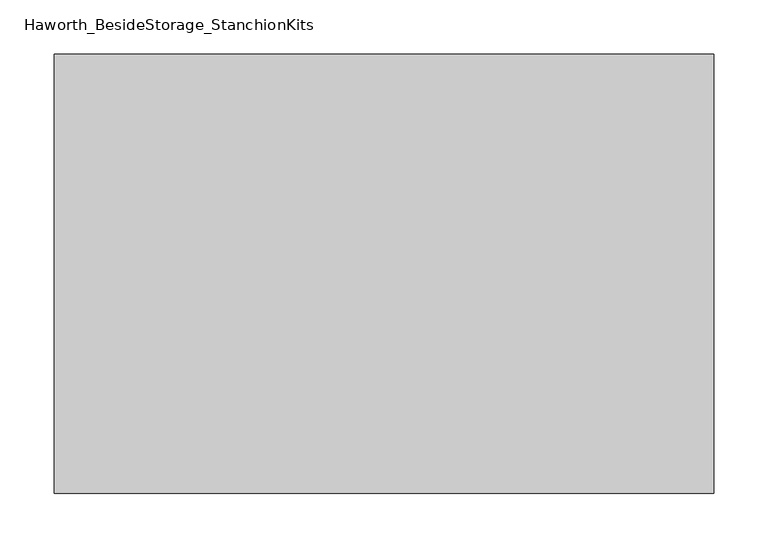
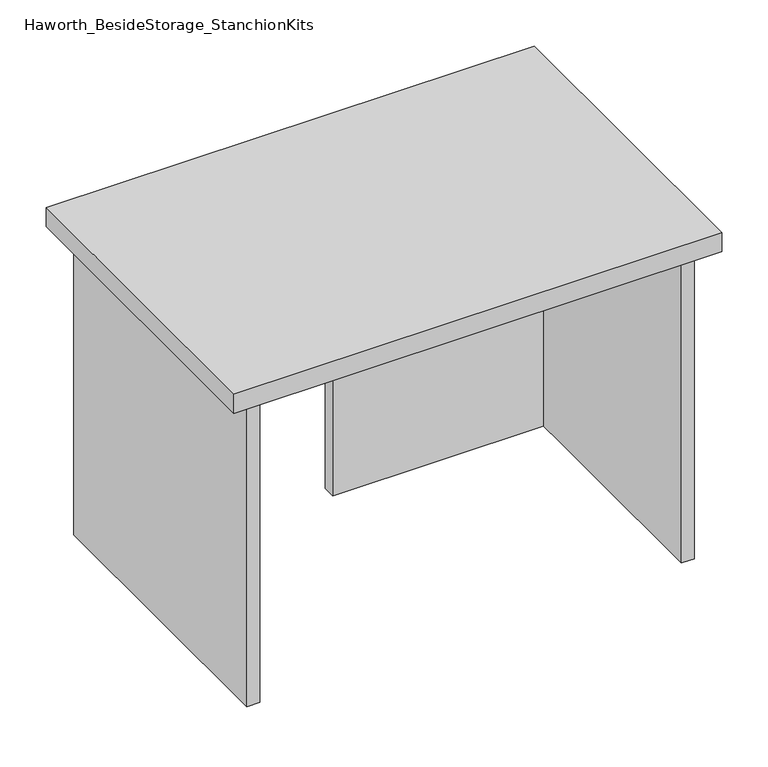
"""IFC4 building model written with IfcOpenShell, lengths in millimetres: furniture geometry, Haworth_BesideStorage_StanchionKits."""

from ifc_helpers import new_model, si_unit, frame, origin, place, context, project, spatial, polyline, outline, extrude, source, transform, mapped, element, save


def haworth_besidestorage_stanchionkits_4e51e9c0(model_context):
    return source(origin(), model_context, "Body", "SweptSolid", [
        extrude(outline(polyline([(466.725, 0.0), (466.725, -406.4), (-142.875, -406.4), (-142.875, 0.0), (466.725, 0.0)])), frame((0.0, 0.0, 838.2), z_axis=(0.0, 0.0, 1.0), x_axis=(1.0, 0.0, 0.0)), (0.0, 0.0, 1.0), 25.4),
        extrude(outline(polyline([(161.925, -76.2), (425.45, -76.2), (425.45, -92.075), (161.925, -92.075), (161.925, -76.2)])), frame((0.0, 0.0, 431.8), z_axis=(0.0, 0.0, 1.0), x_axis=(1.0, 0.0, 0.0)), (0.0, 0.0, 1.0), 406.4),
        extrude(outline(polyline([(441.325, -390.525), (425.45, -390.525), (425.45, -15.875), (441.325, -15.875), (441.325, -390.525)])), frame((0.0, 0.0, 431.8), z_axis=(0.0, 0.0, 1.0), x_axis=(1.0, 0.0, 0.0)), (0.0, 0.0, 1.0), 406.4),
        extrude(outline(polyline([(-101.6, -390.525), (-117.475, -390.525), (-117.475, -15.875), (-101.6, -15.875), (-101.6, -390.525)])), frame((0.0, 0.0, 431.8), z_axis=(0.0, 0.0, 1.0), x_axis=(1.0, 0.0, 0.0)), (0.0, 0.0, 1.0), 406.4),
    ])


if __name__ == "__main__":
    model = new_model("IFC4")
    model_context = context("Model", 3, world=origin())
    ifc_project = project(units=[si_unit("LENGTHUNIT", "METRE", prefix="MILLI")], contexts=[model_context])
    site = spatial("IfcSite", under=ifc_project)
    building = spatial("IfcBuilding", under=site)
    placement = place(None, origin())
    haworth_besidestorage_stanchionkits_shape = haworth_besidestorage_stanchionkits_4e51e9c0(model_context)
    element("IfcFurniture", 1, ObjectType="Haworth_BesideStorage_StanchionKits", at=placement, inside=building, context=model_context, shape_type="MappedRepresentation", body=[
        mapped(haworth_besidestorage_stanchionkits_shape, transform((0.0, 0.0, 0.0), x_axis=(1.0, 0.0, 0.0), y_axis=(0.0, 1.0, 0.0), z_axis=(0.0, 0.0, 1.0))),
    ])
    save(model, "model.ifc")
